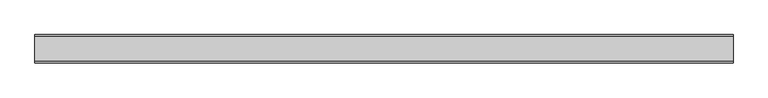
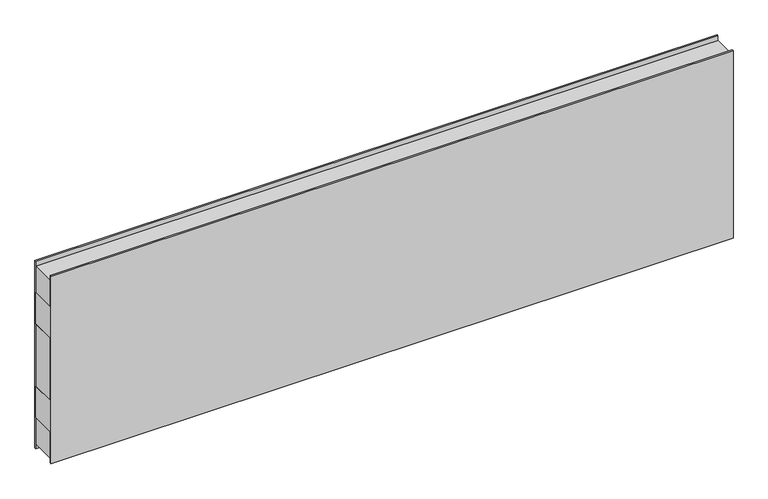
"""IFC4 building model written with IfcOpenShell, lengths in millimetres: plate geometry."""

from ifc_helpers import new_model, si_unit, frame, origin, origin_with_axes, place, context, project, spatial, polyline, outline, extrude, source, transform, mapped, element, save


def plate_0eeba971(model_context):
    return source(origin(), model_context, "Body", "SweptSolid", [
        extrude(outline(polyline([(-1032.4722516, -37.5), (-1032.4722516, 37.5), (1032.4722516, 37.5), (1032.4722516, -37.5), (-1032.4722516, -37.5)])), frame((0.0, 0.0, 400.0), z_axis=(0.0, 0.0, 1.0), x_axis=(1.0, 0.0, 0.0)), (0.0, 0.0, 1.0), 100.0),
        extrude(outline(polyline([(-1032.4722516, -37.5), (-1032.4722516, 37.5), (1032.4722516, 37.5), (1032.4722516, -37.5), (-1032.4722516, -37.5)])), frame((0.0, 0.0, 100.0), z_axis=(0.0, 0.0, 1.0), x_axis=(1.0, 0.0, 0.0)), (0.0, 0.0, 1.0), 100.0),
        extrude(outline(polyline([(-1032.4722516, -42.0), (-1032.4722516, -37.5), (1032.4722516, -37.5), (1032.4722516, -42.0), (-1032.4722516, -42.0)])), origin_with_axes(), (0.0, 0.0, 1.0), 600.0),
        extrude(outline(polyline([(-1032.4722516, 37.5), (-1032.4722516, 42.0), (1032.4722516, 42.0), (1032.4722516, 37.5), (-1032.4722516, 37.5)])), origin_with_axes(), (0.0, 0.0, 1.0), 600.0),
        extrude(outline(polyline([(1032.4722516, 37.5), (1032.4722516, -37.5), (-1032.4722516, -37.5), (-1032.4722516, 37.5), (1032.4722516, 37.5)])), frame((0.0, 0.0, 500.0), z_axis=(0.0, 0.0, 1.0), x_axis=(1.0, 0.0, 0.0)), (0.0, 0.0, 1.0), 85.0),
        extrude(outline(polyline([(1032.4722516, 37.5), (1032.4722516, -37.5), (-1032.4722516, -37.5), (-1032.4722516, 37.5), (1032.4722516, 37.5)])), frame((0.0, 0.0, 15.0), z_axis=(0.0, 0.0, 1.0), x_axis=(1.0, 0.0, 0.0)), (0.0, 0.0, 1.0), 85.0),
        extrude(outline(polyline([(1032.4722516, 37.5), (1032.4722516, -37.5), (-1032.4722516, -37.5), (-1032.4722516, 37.5), (1032.4722516, 37.5)])), frame((0.0, 0.0, 200.0), z_axis=(0.0, 0.0, 1.0), x_axis=(1.0, 0.0, 0.0)), (0.0, 0.0, 1.0), 200.0),
    ])


if __name__ == "__main__":
    model = new_model("IFC4")
    model_context = context("Model", 3, world=origin())
    ifc_project = project(units=[si_unit("LENGTHUNIT", "METRE", prefix="MILLI")], contexts=[model_context])
    site = spatial("IfcSite", under=ifc_project)
    building = spatial("IfcBuilding", under=site)
    placement = place(None, origin())
    plate_shape = plate_0eeba971(model_context)
    element("IfcPlate", 1, at=placement, inside=building, context=model_context, shape_type="MappedRepresentation", body=[
        mapped(plate_shape, transform((0.0, 0.0, 0.0), x_axis=(1.0, 0.0, 0.0), y_axis=(0.0, 1.0, 0.0), z_axis=(0.0, 0.0, 1.0))),
    ])
    save(model, "model.ifc")
